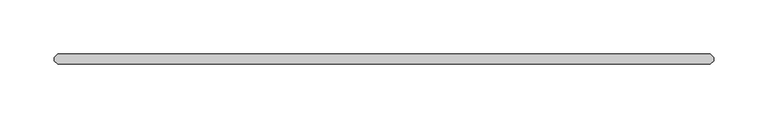
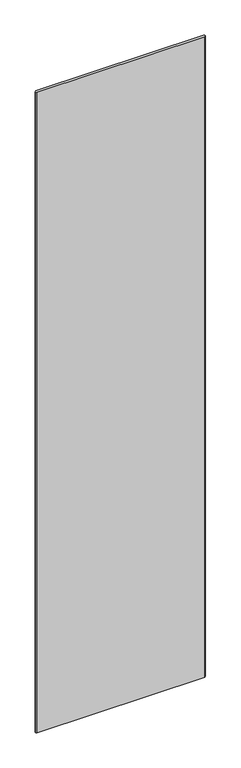
"""IFC4 building model written with IfcOpenShell, lengths in millimetres: plate geometry."""

from ifc_helpers import new_model, si_unit, origin, origin_with_axes, place, context, project, spatial, polyline, outline, extrude, source, transform, mapped, element, save


def plate_022a2baf(model_context):
    return source(origin(), model_context, "Body", "SweptSolid", [
        extrude(outline(polyline([(301.228125, 4.7625), (304.403125, 1.5875), (304.403125, -1.5875), (301.228125, -4.7625), (-301.228125, -4.7625), (-304.403125, -1.5875), (-304.403125, 1.5875), (-301.228125, 4.7625), (301.228125, 4.7625)])), origin_with_axes(), (0.0, 0.0, 1.0), 2427.1914267),
    ])


if __name__ == "__main__":
    model = new_model("IFC4")
    model_context = context("Model", 3, world=origin())
    ifc_project = project(units=[si_unit("LENGTHUNIT", "METRE", prefix="MILLI")], contexts=[model_context])
    site = spatial("IfcSite", under=ifc_project)
    building = spatial("IfcBuilding", under=site)
    placement = place(None, origin())
    plate_shape = plate_022a2baf(model_context)
    element("IfcPlate", 1, at=placement, inside=building, context=model_context, shape_type="MappedRepresentation", body=[
        mapped(plate_shape, transform((0.0, 0.0, 0.0), x_axis=(1.0, 0.0, 0.0), y_axis=(0.0, 1.0, 0.0), z_axis=(0.0, 0.0, 1.0))),
    ])
    save(model, "model.ifc")
